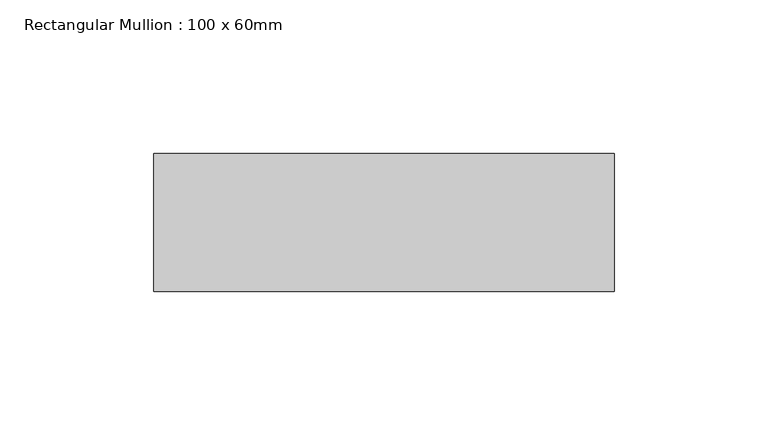
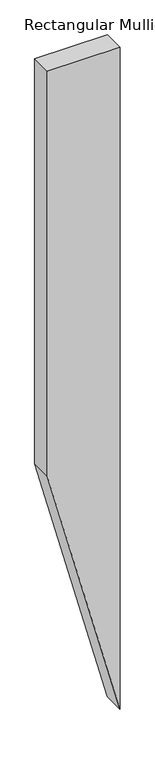
"""IFC4 building model written with IfcOpenShell, lengths in millimetres: member geometry, Rectangular Mullion : 100 x 60mm."""

from ifc_helpers import new_model, si_unit, frame, origin, place, context, project, spatial, polyline, outline, extrude, source, transform, mapped, element, save


def rectangular_mullion_100_x_60mm_3c16b99a(model_context):
    return source(origin(), model_context, "Body", "SweptSolid", [
        extrude(outline(polyline([(0.0, 75.0), (0.0, -75.0), (-883.5007621, -75.0), (-1443.3083832, 75.0), (0.0, 75.0)])), frame((0.0, -30.0, 0.0), z_axis=(0.0, 1.0, 0.0), x_axis=(0.0, 0.0, 1.0)), (0.0, 0.0, 1.0), 45.0),
    ])


if __name__ == "__main__":
    model = new_model("IFC4")
    model_context = context("Model", 3, world=origin())
    ifc_project = project(units=[si_unit("LENGTHUNIT", "METRE", prefix="MILLI")], contexts=[model_context])
    site = spatial("IfcSite", under=ifc_project)
    building = spatial("IfcBuilding", under=site)
    placement = place(None, origin())
    rectangular_mullion_100_x_60mm_shape = rectangular_mullion_100_x_60mm_3c16b99a(model_context)
    element("IfcMember", 1, ObjectType="Rectangular Mullion : 100 x 60mm", at=placement, inside=building, context=model_context, shape_type="MappedRepresentation", body=[
        mapped(rectangular_mullion_100_x_60mm_shape, transform((0.0, 0.0, 0.0), x_axis=(1.0, 0.0, 0.0), y_axis=(0.0, 1.0, 0.0), z_axis=(0.0, 0.0, 1.0))),
    ])
    save(model, "model.ifc")
